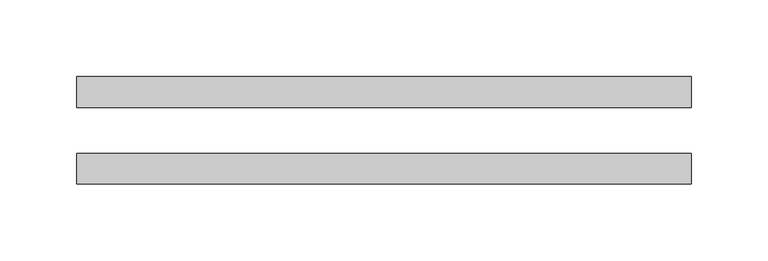
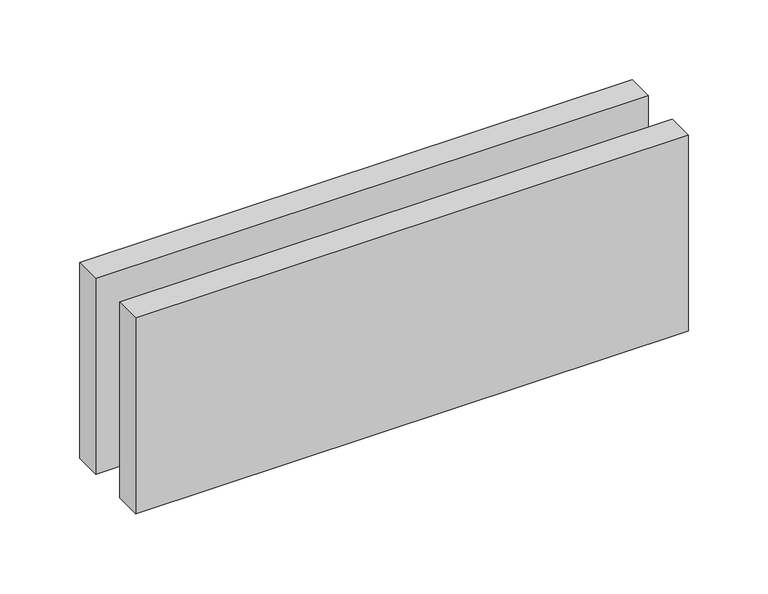
"""IFC4 building model written with IfcOpenShell, lengths in millimetres: proxy geometry."""

from ifc_helpers import new_model, si_unit, origin, origin_with_axes, place, context, project, spatial, polyline, outline, extrude, source, transform, mapped, element, save


def generic_models_25ff0691(model_context):
    return source(origin(), model_context, "Body", "SweptSolid", [
        extrude(outline(polyline([(400.0, -15.0), (400.0, -35.0), (0.0, -35.0), (0.0, -15.0), (400.0, -15.0)])), origin_with_axes(), (0.0, 0.0, 1.0), 150.0),
        extrude(outline(polyline([(400.0, 35.0), (400.0, 15.0), (0.0, 15.0), (0.0, 35.0), (400.0, 35.0)])), origin_with_axes(), (0.0, 0.0, 1.0), 150.0),
    ])


if __name__ == "__main__":
    model = new_model("IFC4")
    model_context = context("Model", 3, world=origin())
    ifc_project = project(units=[si_unit("LENGTHUNIT", "METRE", prefix="MILLI")], contexts=[model_context])
    site = spatial("IfcSite", under=ifc_project)
    building = spatial("IfcBuilding", under=site)
    placement = place(None, origin())
    generic_models_shape = generic_models_25ff0691(model_context)
    element("IfcBuildingElementProxy", 1, Name="Generic Models", at=placement, inside=building, context=model_context, shape_type="MappedRepresentation", body=[
        mapped(generic_models_shape, transform((0.0, 0.0, 0.0), x_axis=(1.0, 0.0, 0.0), y_axis=(0.0, 1.0, 0.0), z_axis=(0.0, 0.0, 1.0))),
    ])
    save(model, "model.ifc")
